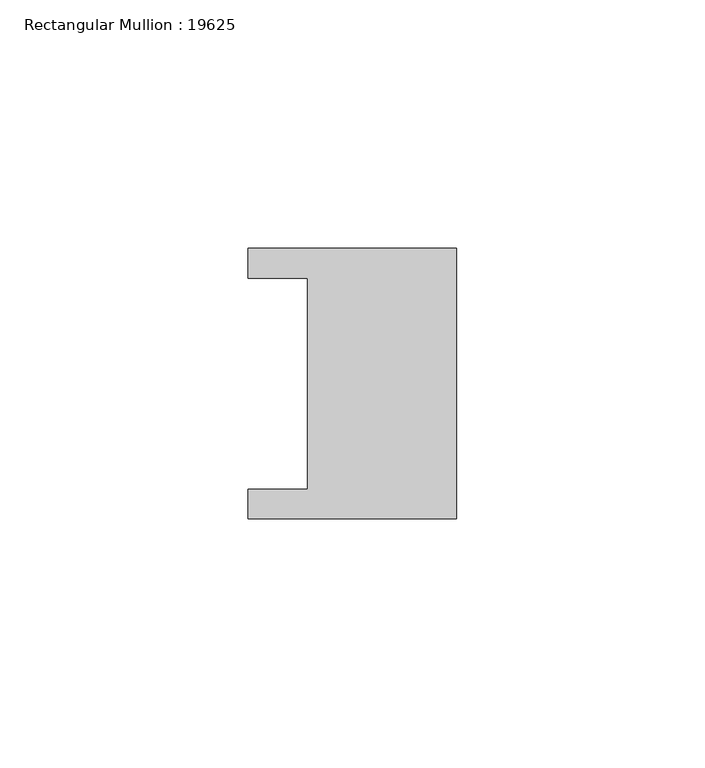
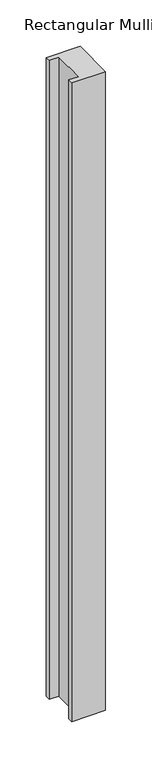
"""IFC4 building model written with IfcOpenShell, lengths in millimetres: member geometry, Rectangular Mullion : 19625."""

import ifcopenshell
import ifcopenshell.guid

model = None  # the IFC model being written
_history = None  # IfcOwnerHistory: only IFC2X3 demands one
_inside = {}  # id of a spatial element -> (the spatial element, [elements in it])
_under = {}  # id of a project, library or spatial element -> (it, [spatial elements below it])
_declared = {}  # id of a project -> (the project, [libraries it declares])
_typed = {}  # id of a type object -> (the type object, [elements of that type])
_made_of = {}  # id of a material, layer set ... -> (it, [elements and type objects made of it])


def new_model(schema):
    """Start an empty IFC model of exactly this schema.

    Asked for "IFC4X3", IfcOpenShell would pick the latest addendum, in which some entities
    have other attributes; the version numbers below select the first issue.
    IFC2X3 requires an IfcOwnerHistory on every rooted entity: one is made here for all.
    """
    global model, _history
    if schema == "IFC4X3":
        model = ifcopenshell.file(schema_version=(4, 3, 0, 0))
    else:
        model = ifcopenshell.file(schema=schema)
    _inside.clear()
    _under.clear()
    _declared.clear()
    _typed.clear()
    _made_of.clear()
    _history = None
    if model.schema == "IFC2X3":
        org = make("IfcOrganization", Name="unknown")
        user = make(
            "IfcPersonAndOrganization",
            ThePerson=make("IfcPerson", FamilyName="unknown"),
            TheOrganization=org,
        )
        app = make(
            "IfcApplication",
            ApplicationDeveloper=org,
            Version="unknown",
            ApplicationFullName="unknown",
            ApplicationIdentifier="unknown",
        )
        _history = make(
            "IfcOwnerHistory",
            OwningUser=user,
            OwningApplication=app,
            ChangeAction="ADDED",
            CreationDate=0,
        )
    return model


def make(cls, **values):
    """One entity of the class cls with the attributes given. An attribute that is None is left unset."""
    return model.create_entity(
        cls, **{name: value for name, value in values.items() if value is not None}
    )


def rooted(cls, **values):
    """An entity with a GlobalId (a new one), such as an element, a storey or a relation."""
    return make(cls, GlobalId=ifcopenshell.guid.new(), OwnerHistory=_history, **values)


def si_unit(unit_type, name, prefix=None):
    """IfcSIUnit, for example si_unit("LENGTHUNIT", "METRE", prefix="MILLI")."""
    return make("IfcSIUnit", UnitType=unit_type, Prefix=prefix, Name=name)


def assignment(units):
    """IfcUnitAssignment: the units of a project."""
    return None if units is None else make("IfcUnitAssignment", Units=units)


def point(xyz):
    """IfcCartesianPoint."""
    return None if xyz is None else make("IfcCartesianPoint", Coordinates=xyz)


def direction(xyz):
    """IfcDirection."""
    return None if xyz is None else make("IfcDirection", DirectionRatios=xyz)


def frame(location, z_axis=None, x_axis=None):
    """IfcAxis2Placement3D, a coordinate frame: its origin and axes. An axis left out is left unset."""
    return make(
        "IfcAxis2Placement3D",
        Location=point(location),
        Axis=direction(z_axis),
        RefDirection=direction(x_axis),
    )


def origin():
    """The frame at (0, 0, 0) with its axes left unset."""
    return frame((0.0, 0.0, 0.0))


def place(relative_to, where):
    """IfcLocalPlacement: puts the frame where relative to a parent placement (None: the world)."""
    return make(
        "IfcLocalPlacement", PlacementRelTo=relative_to, RelativePlacement=where
    )


def context(
    kind, dimensions, precision=None, world=None, true_north=None, identifier=None
):
    """IfcGeometricRepresentationContext, for example the 3D "Model" context."""
    return make(
        "IfcGeometricRepresentationContext",
        ContextIdentifier=identifier,
        ContextType=kind,
        CoordinateSpaceDimension=dimensions,
        Precision=precision,
        WorldCoordinateSystem=world,
        TrueNorth=true_north,
    )


def project(units=None, contexts=None):
    """IfcProject with its units and contexts."""
    return rooted(
        "IfcProject",
        Name="project",
        RepresentationContexts=contexts,
        UnitsInContext=assignment(units),
    )


def spatial(cls, under=None, at=None, **own):
    """A site, building, storey or space (cls), placed at a placement, below another one or the project."""
    s = rooted(cls, ObjectPlacement=at, **own)
    if under is not None:
        _under.setdefault(under.id(), (under, []))[1].append(s)
    return s


def polyline(points):
    """IfcPolyline through the points."""
    return make("IfcPolyline", Points=[point(p) for p in points])


def outline(outer, holes=None, kind="AREA"):
    """IfcArbitraryClosedProfileDef: a profile drawn as a closed curve; with holes, ...WithVoids."""
    if holes is None:
        return make("IfcArbitraryClosedProfileDef", ProfileType=kind, OuterCurve=outer)
    return make(
        "IfcArbitraryProfileDefWithVoids",
        ProfileType=kind,
        OuterCurve=outer,
        InnerCurves=holes,
    )


def extrude(swept, where, along, depth):
    """IfcExtrudedAreaSolid: the profile swept, set in the frame where, extruded along a direction by depth."""
    return make(
        "IfcExtrudedAreaSolid",
        SweptArea=swept,
        Position=where,
        ExtrudedDirection=direction(along),
        Depth=depth,
    )


def shape(context_of_items, identifier, shape_type, items):
    """IfcShapeRepresentation: the items that make up one representation, for example the "Body"."""
    return make(
        "IfcShapeRepresentation",
        ContextOfItems=context_of_items,
        RepresentationIdentifier=identifier,
        RepresentationType=shape_type,
        Items=items,
    )


def source(mapping_origin, context_of_items, identifier, shape_type, items):
    """IfcRepresentationMap: a shape defined once, which mapped items show again and again."""
    return make(
        "IfcRepresentationMap",
        MappingOrigin=mapping_origin,
        MappedRepresentation=shape(context_of_items, identifier, shape_type, items),
    )


def transform(
    local_origin,
    x_axis=None,
    y_axis=None,
    z_axis=None,
    scale=None,
    scale2=None,
    scale3=None,
    uniform=True,
):
    """IfcCartesianTransformationOperator3D, or its non-uniform kind. x_axis, y_axis, z_axis: its Axis1, 2, 3."""
    if uniform:
        return make(
            "IfcCartesianTransformationOperator3D",
            Axis1=direction(x_axis),
            Axis2=direction(y_axis),
            LocalOrigin=point(local_origin),
            Scale=scale,
            Axis3=direction(z_axis),
        )
    return make(
        "IfcCartesianTransformationOperator3DnonUniform",
        Axis1=direction(x_axis),
        Axis2=direction(y_axis),
        LocalOrigin=point(local_origin),
        Scale=scale,
        Axis3=direction(z_axis),
        Scale2=scale2,
        Scale3=scale3,
    )


def mapped(mapping_source, mapping_target):
    """IfcMappedItem: shows the shape of a source again, moved by a transform."""
    return make(
        "IfcMappedItem", MappingSource=mapping_source, MappingTarget=mapping_target
    )


def made_of(thing, what):
    """Note that an element or type object is made of a material, layer set ...; save() writes the relation."""
    if what is not None:
        _made_of.setdefault(what.id(), (what, []))[1].append(thing)
    return thing


def element(
    cls,
    number,
    at=None,
    inside=None,
    cuts=None,
    type_object=None,
    material=None,
    context=None,
    identifier="Body",
    shape_type=None,
    held_by="IfcProductDefinitionShape",
    body=None,
    shapes=None,
    **own,
):
    """One element of the class cls, such as IfcWall. Its Tag is "e" and its number.

    at: its placement. inside: the storey or other place that contains it. cuts: it is an
    opening in that element (IfcRelVoidsElement). A single representation is given by context,
    identifier, shape_type and body (its items); several are given by shapes. held_by: the class
    of the entity that holds the representations. save() writes the other relations.
    """
    e = rooted(cls, Tag="e%d" % number, ObjectPlacement=at, **own)
    if body is not None:
        shapes = [shape(context, identifier, shape_type, body)]
    if shapes is not None:
        e.Representation = make(held_by, Representations=shapes)
    if inside is not None:
        _inside.setdefault(inside.id(), (inside, []))[1].append(e)
    if cuts is not None:
        rooted(
            "IfcRelVoidsElement", RelatingBuildingElement=cuts, RelatedOpeningElement=e
        )
    if type_object is not None:
        _typed.setdefault(type_object.id(), (type_object, []))[1].append(e)
    return made_of(e, material)


def aggregate(whole, parts):
    """IfcRelAggregates: a whole, such as a stair, and the parts it consists of."""
    return rooted("IfcRelAggregates", RelatingObject=whole, RelatedObjects=parts)


def save(model, path):
    """Write the relations noted so far, then the file.

    IfcRelAggregates (storeys below a building ...), IfcRelContainedInSpatialStructure (elements
    in a storey), IfcRelDefinesByType, IfcRelAssociatesMaterial and IfcRelDeclares: one each for
    every whole, place, type object, material and project.
    """
    for whole, parts in _under.values():
        aggregate(whole, parts)
    for where, things in _inside.values():
        rooted(
            "IfcRelContainedInSpatialStructure",
            RelatedElements=things,
            RelatingStructure=where,
        )
    for kind, things in _typed.values():
        rooted("IfcRelDefinesByType", RelatedObjects=things, RelatingType=kind)
    for what, things in _made_of.values():
        rooted("IfcRelAssociatesMaterial", RelatedObjects=things, RelatingMaterial=what)
    for by, libraries in _declared.values():
        rooted("IfcRelDeclares", RelatingContext=by, RelatedDefinitions=libraries)
    model.write(path)


def rectangular_mullion_19625_db27aeea(model_context):
    return source(origin(), model_context, "Body", "SweptSolid", [
        extrude(outline(polyline([(0.0, -27.25), (-42.0, -27.25), (-42.0, -21.25), (-30.0, -21.25), (-30.0, 21.25), (-42.0, 21.25), (-42.0, 27.25), (0.0, 27.25), (0.0, -27.25)])), frame((0.0, 0.0, -840.0), z_axis=(0.0, 0.0, 1.0), x_axis=(1.0, 0.0, 0.0)), (0.0, 0.0, 1.0), 840.0),
    ])


if __name__ == "__main__":
    model = new_model("IFC4")
    model_context = context("Model", 3, world=origin())
    ifc_project = project(units=[si_unit("LENGTHUNIT", "METRE", prefix="MILLI")], contexts=[model_context])
    site = spatial("IfcSite", under=ifc_project)
    building = spatial("IfcBuilding", under=site)
    placement = place(None, origin())
    rectangular_mullion_19625_shape = rectangular_mullion_19625_db27aeea(model_context)
    element("IfcMember", 1, ObjectType="Rectangular Mullion : 19625", at=placement, inside=building, context=model_context, shape_type="MappedRepresentation", body=[
        mapped(rectangular_mullion_19625_shape, transform((0.0, 0.0, 0.0), x_axis=(1.0, 0.0, 0.0), y_axis=(0.0, 1.0, 0.0), z_axis=(0.0, 0.0, 1.0))),
    ])
    save(model, "model.ifc")
